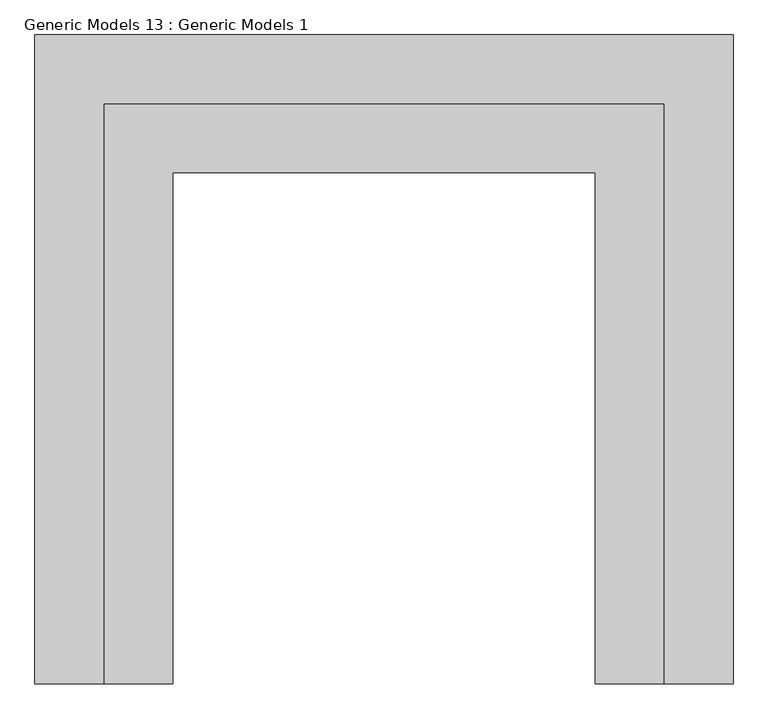
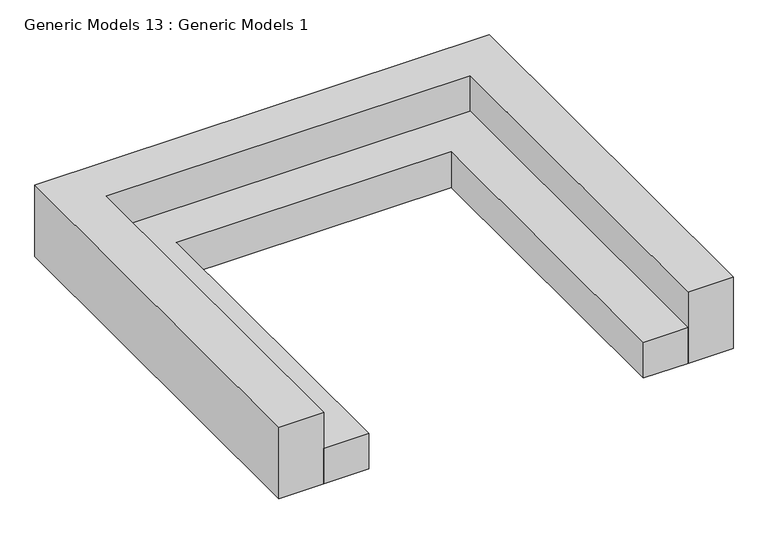
"""IFC4 building model written with IfcOpenShell, lengths in millimetres: proxy geometry, Generic Models 13 : Generic Models 1."""

from ifc_helpers import new_model, si_unit, origin, origin_with_axes, place, context, project, spatial, polyline, outline, extrude, source, transform, mapped, element, save


def generic_models_13_generic_models_1_c16ac0f4(model_context):
    return source(origin(), model_context, "Body", "SweptSolid", [
        extrude(outline(polyline([(460329.3565432, -325934.5926499), (464250.2731144, -325934.5926499), (464250.2731144, -329995.4176499), (463767.6731144, -329995.4176499), (463767.6731144, -326417.1926499), (460811.9565432, -326417.1926499), (460811.9565432, -329995.4176499), (460329.3565432, -329995.4176499), (460329.3565432, -325934.5926499)])), origin_with_axes(), (0.0, 0.0, 1.0), 406.4),
        extrude(outline(polyline([(464250.2731144, -325934.5926499), (460329.3565432, -325934.5926499), (460329.3565432, -329995.4176499), (459846.7565432, -329995.4176499), (459846.7565432, -325451.9926499), (464732.8731144, -325451.9926499), (464732.8731144, -329995.4176499), (464250.2731144, -329995.4176499), (464250.2731144, -325934.5926499)])), origin_with_axes(), (0.0, 0.0, 1.0), 812.8),
    ])


if __name__ == "__main__":
    model = new_model("IFC4")
    model_context = context("Model", 3, world=origin())
    ifc_project = project(units=[si_unit("LENGTHUNIT", "METRE", prefix="MILLI")], contexts=[model_context])
    site = spatial("IfcSite", under=ifc_project)
    building = spatial("IfcBuilding", under=site)
    placement = place(None, origin())
    generic_models_13_generic_models_1_shape = generic_models_13_generic_models_1_c16ac0f4(model_context)
    element("IfcBuildingElementProxy", 1, Name="Generic Models 13 : Generic Models 1", ObjectType="Generic Models 13 : Generic Models 1", at=placement, inside=building, context=model_context, shape_type="MappedRepresentation", body=[
        mapped(generic_models_13_generic_models_1_shape, transform((0.0, 0.0, 0.0), x_axis=(1.0, 0.0, 0.0), y_axis=(0.0, 1.0, 0.0), z_axis=(0.0, 0.0, 1.0))),
    ])
    save(model, "model.ifc")
